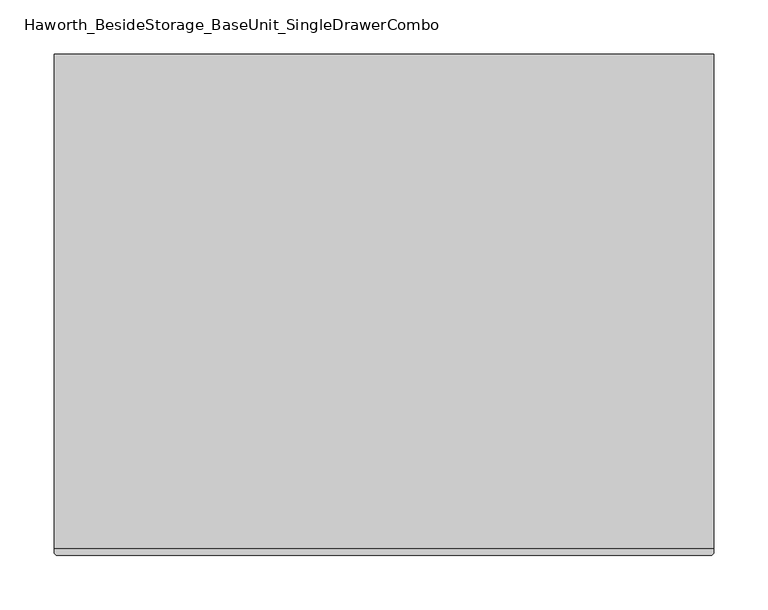
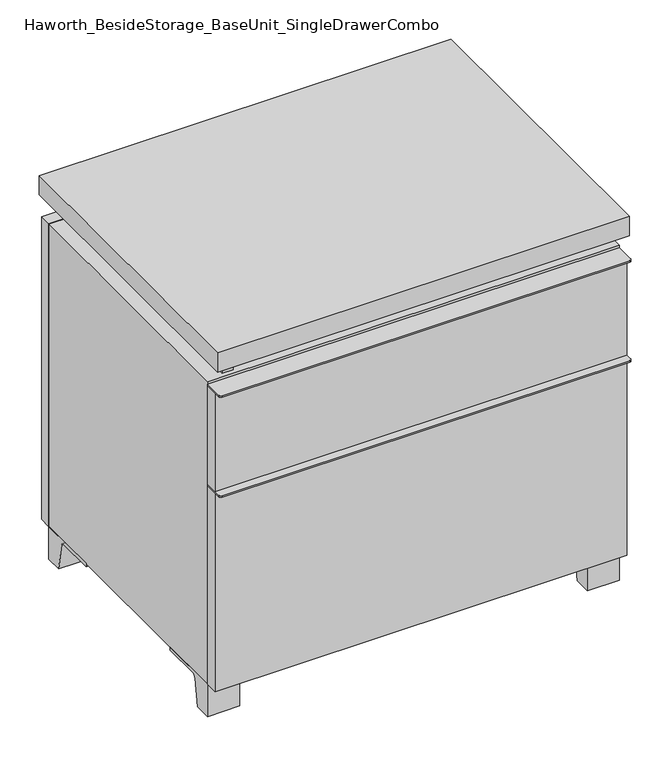
"""IFC4 building model written with IfcOpenShell, lengths in millimetres: furniture geometry, Haworth_BesideStorage_BaseUnit_SingleDrawerCombo."""

from ifc_helpers import new_model, si_unit, point, frame, frame_2d, origin, place, context, project, spatial, polyline, circle_curve, trimmed, segment, composite_curve, outline, extrude, source, transform, mapped, element, save


def haworth_besidestorage_baseunit_singledrawercombo_51562315(model_context):
    return source(origin(), model_context, "Body", "SweptSolid", [
        extrude(outline(composite_curve([segment(polyline([(304.8138906, -139.7), (304.8138906, -168.275)]), True, "CONTINUOUS"), segment(trimmed(circle_curve(frame_2d((301.6388906, -168.275)), 3.175), [point((304.8138906, -168.275))], [point((301.6388906, -171.45))], False, "CARTESIAN"), True, "CONTINUOUS"), segment(polyline([(301.6388906, -171.45), (-301.6111094, -171.45)]), True, "CONTINUOUS"), segment(trimmed(circle_curve(frame_2d((-301.6111094, -168.275)), 3.175), [point((-301.6111094, -171.45))], [point((-304.7861094, -168.275))], False, "CARTESIAN"), True, "CONTINUOUS"), segment(polyline([(-304.7861094, -168.275), (-304.7861094, -139.7), (304.8138906, -139.7)]), True, "CONTINUOUS")], self_intersect=False)), frame((0.0, 0.0, 517.525), z_axis=(0.0, 0.0, 1.0), x_axis=(1.0, 0.0, 0.0)), (0.0, 0.0, 1.0), 2.38125),
        extrude(outline(polyline([(304.8138906, -139.7), (304.8138906, -158.75), (-304.7861094, -158.75), (-304.7861094, -139.7), (304.8138906, -139.7)])), frame((0.0, 0.0, 363.5375), z_axis=(0.0, 0.0, 1.0), x_axis=(1.0, 0.0, 0.0)), (0.0, 0.0, 1.0), 153.9875),
        extrude(outline(composite_curve([segment(polyline([(304.8138906, -139.7), (304.8138906, -168.275)]), True, "CONTINUOUS"), segment(trimmed(circle_curve(frame_2d((301.6388906, -168.275)), 3.175), [point((304.8138906, -168.275))], [point((301.6388906, -171.45))], False, "CARTESIAN"), True, "CONTINUOUS"), segment(polyline([(301.6388906, -171.45), (-301.6111094, -171.45)]), True, "CONTINUOUS"), segment(trimmed(circle_curve(frame_2d((-301.6111094, -168.275)), 3.175), [point((-301.6111094, -171.45))], [point((-304.7861094, -168.275))], False, "CARTESIAN"), True, "CONTINUOUS"), segment(polyline([(-304.7861094, -168.275), (-304.7861094, -139.7), (304.8138906, -139.7)]), True, "CONTINUOUS")], self_intersect=False)), frame((0.0, 0.0, 361.15625), z_axis=(0.0, 0.0, 1.0), x_axis=(1.0, 0.0, 0.0)), (0.0, 0.0, 1.0), 2.38125),
        extrude(outline(polyline([(304.8138906, -139.7), (304.8138906, -158.75), (-304.7861094, -158.75), (-304.7861094, -139.7), (304.8138906, -139.7)])), frame((0.0, 0.0, 50.8), z_axis=(0.0, 0.0, 1.0), x_axis=(1.0, 0.0, 0.0)), (0.0, 0.0, 1.0), 310.35625),
        extrude(outline(polyline([(304.8138906, 292.1), (304.8138906, -165.1), (-304.7861094, -165.1), (-304.7861094, 292.1), (304.8138906, 292.1)])), frame((0.0, 0.0, 554.0375), z_axis=(0.0, 0.0, 1.0), x_axis=(1.0, 0.0, 0.0)), (0.0, 0.0, 1.0), 30.1625),
        extrude(outline(composite_curve([segment(polyline([(-114.3000136, 0.0), (-139.7, 0.0), (-139.7, 50.8), (-44.45, 50.8), (-44.45, 46.0213321), (-101.2505345, 46.0213321)]), True, "CONTINUOUS"), segment(trimmed(circle_curve(frame_2d((-101.2505345, 39.6713321)), 6.35), [point((-101.2505345, 46.0213321))], [point((-107.5141359, 40.7152656))], True, "CARTESIAN"), True, "CONTINUOUS"), segment(polyline([(-107.5141359, 40.7152656), (-114.3000136, 0.0)]), True, "CONTINUOUS")], self_intersect=False)), frame((257.1888906, 0.0, 0.0), z_axis=(1.0, 0.0, 0.0), x_axis=(0.0, 1.0, 0.0)), (0.0, 0.0, 1.0), 47.625),
        extrude(outline(composite_curve([segment(polyline([(241.3000136, 0.0), (234.5141359, 40.7152656)]), True, "CONTINUOUS"), segment(trimmed(circle_curve(frame_2d((228.2505345, 39.6713321)), 6.35), [point((234.5141359, 40.7152656))], [point((228.2505345, 46.0213321))], True, "CARTESIAN"), True, "CONTINUOUS"), segment(polyline([(228.2505345, 46.0213321), (171.45, 46.0213321), (171.45, 50.8), (266.7, 50.8), (266.7, 0.0), (241.3000136, 0.0)]), True, "CONTINUOUS")], self_intersect=False)), frame((257.1888906, 0.0, 0.0), z_axis=(1.0, 0.0, 0.0), x_axis=(0.0, 1.0, 0.0)), (0.0, 0.0, 1.0), 47.625),
        extrude(outline(composite_curve([segment(polyline([(-114.3000136, 0.0), (-139.7, 0.0), (-139.7, 50.8), (-44.45, 50.8), (-44.45, 46.0213321), (-101.2505345, 46.0213321)]), True, "CONTINUOUS"), segment(trimmed(circle_curve(frame_2d((-101.2505345, 39.6713321)), 6.35), [point((-101.2505345, 46.0213321))], [point((-107.5141359, 40.7152656))], True, "CARTESIAN"), True, "CONTINUOUS"), segment(polyline([(-107.5141359, 40.7152656), (-114.3000136, 0.0)]), True, "CONTINUOUS")], self_intersect=False)), frame((-304.7861094, 0.0, 0.0), z_axis=(1.0, 0.0, 0.0), x_axis=(0.0, 1.0, 0.0)), (0.0, 0.0, 1.0), 47.625),
        extrude(outline(composite_curve([segment(polyline([(241.3000136, 0.0), (234.5141359, 40.7152656)]), True, "CONTINUOUS"), segment(trimmed(circle_curve(frame_2d((228.2505345, 39.6713321)), 6.35), [point((234.5141359, 40.7152656))], [point((228.2505345, 46.0213321))], True, "CARTESIAN"), True, "CONTINUOUS"), segment(polyline([(228.2505345, 46.0213321), (171.45, 46.0213321), (171.45, 50.8), (266.7, 50.8), (266.7, 0.0), (241.3000136, 0.0)]), True, "CONTINUOUS")], self_intersect=False)), frame((-304.7861094, 0.0, 0.0), z_axis=(1.0, 0.0, 0.0), x_axis=(0.0, 1.0, 0.0)), (0.0, 0.0, 1.0), 47.625),
        extrude(outline(polyline([(-279.3791641, -133.35), (-279.3791641, 234.95), (-263.5041641, 234.95), (-263.5041641, 73.025), (263.5111094, 73.025), (263.5111094, 247.65), (279.3861094, 247.65), (279.3861094, -120.65), (263.5111094, -120.65), (263.5111094, 53.975), (-263.5041641, 53.975), (-263.5041641, -133.35), (-279.3791641, -133.35)])), frame((0.0, 0.0, 523.875), z_axis=(0.0, 0.0, 1.0), x_axis=(1.0, 0.0, 0.0)), (0.0, 0.0, 1.0), 30.1625),
        extrude(outline(polyline([(304.8138906, 266.7), (-304.7861094, 266.7), (-304.7861094, 285.75), (304.8138906, 285.75), (304.8138906, 266.7)])), frame((0.0, 0.0, 50.8), z_axis=(0.0, 0.0, 1.0), x_axis=(1.0, 0.0, 0.0)), (0.0, 0.0, 1.0), 473.075),
        extrude(outline(polyline([(50.8, -304.7861094), (50.8, 304.8), (523.875, 304.8), (523.875, -304.7861094), (50.8, -304.7861094)]), holes=[polyline([(69.85, -285.7361094), (504.825, -285.7361094), (504.825, 285.7361094), (69.85, 285.7361094), (69.85, -285.7361094)])]), frame((0.0, -139.7, 0.0), z_axis=(0.0, 1.0, 0.0), x_axis=(0.0, 0.0, 1.0)), (0.0, 0.0, 1.0), 406.4),
        extrude(outline(polyline([(-285.7291641, 234.95), (-285.7291641, 241.3), (285.7569453, 241.3), (285.7569453, 234.95), (-285.7291641, 234.95)])), frame((0.0, 0.0, 69.85), z_axis=(0.0, 0.0, 1.0), x_axis=(1.0, 0.0, 0.0)), (0.0, 0.0, 1.0), 434.975),
    ])


if __name__ == "__main__":
    model = new_model("IFC4")
    model_context = context("Model", 3, world=origin())
    ifc_project = project(units=[si_unit("LENGTHUNIT", "METRE", prefix="MILLI")], contexts=[model_context])
    site = spatial("IfcSite", under=ifc_project)
    building = spatial("IfcBuilding", under=site)
    placement = place(None, origin())
    haworth_besidestorage_baseunit_singledrawercombo_shape = haworth_besidestorage_baseunit_singledrawercombo_51562315(model_context)
    element("IfcFurniture", 1, ObjectType="Haworth_BesideStorage_BaseUnit_SingleDrawerCombo", at=placement, inside=building, context=model_context, shape_type="MappedRepresentation", body=[
        mapped(haworth_besidestorage_baseunit_singledrawercombo_shape, transform((0.0, 0.0, 0.0), x_axis=(1.0, 0.0, 0.0), y_axis=(0.0, 1.0, 0.0), z_axis=(0.0, 0.0, 1.0))),
    ])
    save(model, "model.ifc")
